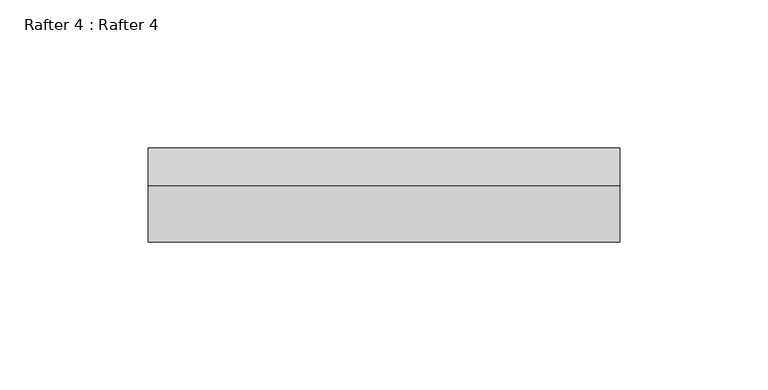
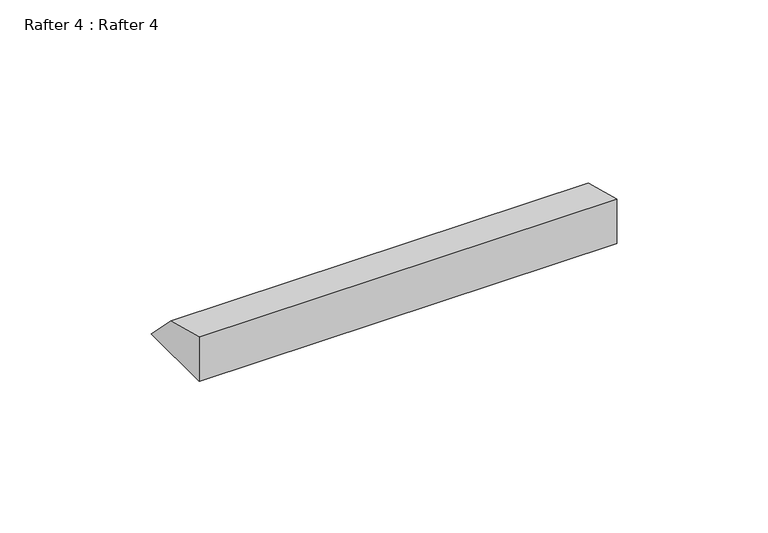
"""IFC4 building model written with IfcOpenShell, lengths in millimetres: proxy geometry, Rafter 4 : Rafter 4."""

from ifc_helpers import new_model, si_unit, frame, origin, place, context, project, spatial, polyline, outline, extrude, source, transform, mapped, element, save


def rafter_4_rafter_4_c9e59074(model_context):
    return source(origin(), model_context, "Body", "SweptSolid", [
        extrude(outline(polyline([(5066.8687652, 2287.6461416), (5085.6886568, 2282.6033668), (5098.6187652, 2269.6732585), (5066.8687652, 2269.6732585), (5066.8687652, 2287.6461416)])), frame((-5244.5726824, 0.0, 0.0), z_axis=(1.0, 0.0, 0.0), x_axis=(0.0, 1.0, 0.0)), (0.0, 0.0, 1.0), 159.2387119),
    ])


if __name__ == "__main__":
    model = new_model("IFC4")
    model_context = context("Model", 3, world=origin())
    ifc_project = project(units=[si_unit("LENGTHUNIT", "METRE", prefix="MILLI")], contexts=[model_context])
    site = spatial("IfcSite", under=ifc_project)
    building = spatial("IfcBuilding", under=site)
    placement = place(None, origin())
    rafter_4_rafter_4_shape = rafter_4_rafter_4_c9e59074(model_context)
    element("IfcBuildingElementProxy", 1, Name="Rafter 4 : Rafter 4", ObjectType="Rafter 4 : Rafter 4", at=placement, inside=building, context=model_context, shape_type="MappedRepresentation", body=[
        mapped(rafter_4_rafter_4_shape, transform((0.0, 0.0, 0.0), x_axis=(1.0, 0.0, 0.0), y_axis=(0.0, 1.0, 0.0), z_axis=(0.0, 0.0, 1.0))),
    ])
    save(model, "model.ifc")
